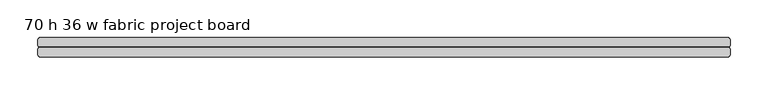
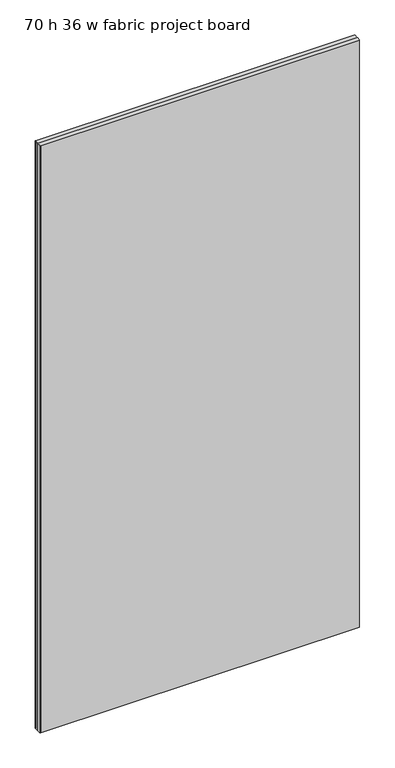
"""IFC4 building model written with IfcOpenShell, lengths in millimetres: furniture geometry, 70 h 36 w fabric project board."""

import ifcopenshell
import ifcopenshell.guid

model = None  # the IFC model being written
_history = None  # IfcOwnerHistory: only IFC2X3 demands one
_inside = {}  # id of a spatial element -> (the spatial element, [elements in it])
_under = {}  # id of a project, library or spatial element -> (it, [spatial elements below it])
_declared = {}  # id of a project -> (the project, [libraries it declares])
_typed = {}  # id of a type object -> (the type object, [elements of that type])
_made_of = {}  # id of a material, layer set ... -> (it, [elements and type objects made of it])


def new_model(schema):
    """Start an empty IFC model of exactly this schema.

    Asked for "IFC4X3", IfcOpenShell would pick the latest addendum, in which some entities
    have other attributes; the version numbers below select the first issue.
    IFC2X3 requires an IfcOwnerHistory on every rooted entity: one is made here for all.
    """
    global model, _history
    if schema == "IFC4X3":
        model = ifcopenshell.file(schema_version=(4, 3, 0, 0))
    else:
        model = ifcopenshell.file(schema=schema)
    _inside.clear()
    _under.clear()
    _declared.clear()
    _typed.clear()
    _made_of.clear()
    _history = None
    if model.schema == "IFC2X3":
        org = make("IfcOrganization", Name="unknown")
        user = make(
            "IfcPersonAndOrganization",
            ThePerson=make("IfcPerson", FamilyName="unknown"),
            TheOrganization=org,
        )
        app = make(
            "IfcApplication",
            ApplicationDeveloper=org,
            Version="unknown",
            ApplicationFullName="unknown",
            ApplicationIdentifier="unknown",
        )
        _history = make(
            "IfcOwnerHistory",
            OwningUser=user,
            OwningApplication=app,
            ChangeAction="ADDED",
            CreationDate=0,
        )
    return model


def make(cls, **values):
    """One entity of the class cls with the attributes given. An attribute that is None is left unset."""
    return model.create_entity(
        cls, **{name: value for name, value in values.items() if value is not None}
    )


def rooted(cls, **values):
    """An entity with a GlobalId (a new one), such as an element, a storey or a relation."""
    return make(cls, GlobalId=ifcopenshell.guid.new(), OwnerHistory=_history, **values)


def si_unit(unit_type, name, prefix=None):
    """IfcSIUnit, for example si_unit("LENGTHUNIT", "METRE", prefix="MILLI")."""
    return make("IfcSIUnit", UnitType=unit_type, Prefix=prefix, Name=name)


def assignment(units):
    """IfcUnitAssignment: the units of a project."""
    return None if units is None else make("IfcUnitAssignment", Units=units)


def point(xyz):
    """IfcCartesianPoint."""
    return None if xyz is None else make("IfcCartesianPoint", Coordinates=xyz)


def direction(xyz):
    """IfcDirection."""
    return None if xyz is None else make("IfcDirection", DirectionRatios=xyz)


def frame(location, z_axis=None, x_axis=None):
    """IfcAxis2Placement3D, a coordinate frame: its origin and axes. An axis left out is left unset."""
    return make(
        "IfcAxis2Placement3D",
        Location=point(location),
        Axis=direction(z_axis),
        RefDirection=direction(x_axis),
    )


def origin():
    """The frame at (0, 0, 0) with its axes left unset."""
    return frame((0.0, 0.0, 0.0))


def place(relative_to, where):
    """IfcLocalPlacement: puts the frame where relative to a parent placement (None: the world)."""
    return make(
        "IfcLocalPlacement", PlacementRelTo=relative_to, RelativePlacement=where
    )


def context(
    kind, dimensions, precision=None, world=None, true_north=None, identifier=None
):
    """IfcGeometricRepresentationContext, for example the 3D "Model" context."""
    return make(
        "IfcGeometricRepresentationContext",
        ContextIdentifier=identifier,
        ContextType=kind,
        CoordinateSpaceDimension=dimensions,
        Precision=precision,
        WorldCoordinateSystem=world,
        TrueNorth=true_north,
    )


def project(units=None, contexts=None):
    """IfcProject with its units and contexts."""
    return rooted(
        "IfcProject",
        Name="project",
        RepresentationContexts=contexts,
        UnitsInContext=assignment(units),
    )


def spatial(cls, under=None, at=None, **own):
    """A site, building, storey or space (cls), placed at a placement, below another one or the project."""
    s = rooted(cls, ObjectPlacement=at, **own)
    if under is not None:
        _under.setdefault(under.id(), (under, []))[1].append(s)
    return s


def polyline(points):
    """IfcPolyline through the points."""
    return make("IfcPolyline", Points=[point(p) for p in points])


def outline(outer, holes=None, kind="AREA"):
    """IfcArbitraryClosedProfileDef: a profile drawn as a closed curve; with holes, ...WithVoids."""
    if holes is None:
        return make("IfcArbitraryClosedProfileDef", ProfileType=kind, OuterCurve=outer)
    return make(
        "IfcArbitraryProfileDefWithVoids",
        ProfileType=kind,
        OuterCurve=outer,
        InnerCurves=holes,
    )


def extrude(swept, where, along, depth):
    """IfcExtrudedAreaSolid: the profile swept, set in the frame where, extruded along a direction by depth."""
    return make(
        "IfcExtrudedAreaSolid",
        SweptArea=swept,
        Position=where,
        ExtrudedDirection=direction(along),
        Depth=depth,
    )


def shape(context_of_items, identifier, shape_type, items):
    """IfcShapeRepresentation: the items that make up one representation, for example the "Body"."""
    return make(
        "IfcShapeRepresentation",
        ContextOfItems=context_of_items,
        RepresentationIdentifier=identifier,
        RepresentationType=shape_type,
        Items=items,
    )


def source(mapping_origin, context_of_items, identifier, shape_type, items):
    """IfcRepresentationMap: a shape defined once, which mapped items show again and again."""
    return make(
        "IfcRepresentationMap",
        MappingOrigin=mapping_origin,
        MappedRepresentation=shape(context_of_items, identifier, shape_type, items),
    )


def transform(
    local_origin,
    x_axis=None,
    y_axis=None,
    z_axis=None,
    scale=None,
    scale2=None,
    scale3=None,
    uniform=True,
):
    """IfcCartesianTransformationOperator3D, or its non-uniform kind. x_axis, y_axis, z_axis: its Axis1, 2, 3."""
    if uniform:
        return make(
            "IfcCartesianTransformationOperator3D",
            Axis1=direction(x_axis),
            Axis2=direction(y_axis),
            LocalOrigin=point(local_origin),
            Scale=scale,
            Axis3=direction(z_axis),
        )
    return make(
        "IfcCartesianTransformationOperator3DnonUniform",
        Axis1=direction(x_axis),
        Axis2=direction(y_axis),
        LocalOrigin=point(local_origin),
        Scale=scale,
        Axis3=direction(z_axis),
        Scale2=scale2,
        Scale3=scale3,
    )


def mapped(mapping_source, mapping_target):
    """IfcMappedItem: shows the shape of a source again, moved by a transform."""
    return make(
        "IfcMappedItem", MappingSource=mapping_source, MappingTarget=mapping_target
    )


def made_of(thing, what):
    """Note that an element or type object is made of a material, layer set ...; save() writes the relation."""
    if what is not None:
        _made_of.setdefault(what.id(), (what, []))[1].append(thing)
    return thing


def element(
    cls,
    number,
    at=None,
    inside=None,
    cuts=None,
    type_object=None,
    material=None,
    context=None,
    identifier="Body",
    shape_type=None,
    held_by="IfcProductDefinitionShape",
    body=None,
    shapes=None,
    **own,
):
    """One element of the class cls, such as IfcWall. Its Tag is "e" and its number.

    at: its placement. inside: the storey or other place that contains it. cuts: it is an
    opening in that element (IfcRelVoidsElement). A single representation is given by context,
    identifier, shape_type and body (its items); several are given by shapes. held_by: the class
    of the entity that holds the representations. save() writes the other relations.
    """
    e = rooted(cls, Tag="e%d" % number, ObjectPlacement=at, **own)
    if body is not None:
        shapes = [shape(context, identifier, shape_type, body)]
    if shapes is not None:
        e.Representation = make(held_by, Representations=shapes)
    if inside is not None:
        _inside.setdefault(inside.id(), (inside, []))[1].append(e)
    if cuts is not None:
        rooted(
            "IfcRelVoidsElement", RelatingBuildingElement=cuts, RelatedOpeningElement=e
        )
    if type_object is not None:
        _typed.setdefault(type_object.id(), (type_object, []))[1].append(e)
    return made_of(e, material)


def aggregate(whole, parts):
    """IfcRelAggregates: a whole, such as a stair, and the parts it consists of."""
    return rooted("IfcRelAggregates", RelatingObject=whole, RelatedObjects=parts)


def save(model, path):
    """Write the relations noted so far, then the file.

    IfcRelAggregates (storeys below a building ...), IfcRelContainedInSpatialStructure (elements
    in a storey), IfcRelDefinesByType, IfcRelAssociatesMaterial and IfcRelDeclares: one each for
    every whole, place, type object, material and project.
    """
    for whole, parts in _under.values():
        aggregate(whole, parts)
    for where, things in _inside.values():
        rooted(
            "IfcRelContainedInSpatialStructure",
            RelatedElements=things,
            RelatingStructure=where,
        )
    for kind, things in _typed.values():
        rooted("IfcRelDefinesByType", RelatedObjects=things, RelatingType=kind)
    for what, things in _made_of.values():
        rooted("IfcRelAssociatesMaterial", RelatedObjects=things, RelatingMaterial=what)
    for by, libraries in _declared.values():
        rooted("IfcRelDeclares", RelatingContext=by, RelatedDefinitions=libraries)
    model.write(path)


def furniture_70_h_36_w_fabric_project_board_bf294f33(model_context):
    return source(origin(), model_context, "Body", "SweptSolid", [
        extrude(outline(polyline([(917.31087, -4.6856657), (917.7799547, -5.6356656), (918.8125225, -6.0581047), (919.3954811, -7.083154), (919.3954811, -15.2517535), (918.8125225, -16.2768033), (917.7799547, -16.699243), (6.6110399, -16.699243), (5.5784607, -16.2768033), (4.9954811, -15.2517535), (4.9954811, -7.083154), (5.5784607, -6.0581047), (6.6110399, -5.6356656), (7.0800644, -4.6856657), (917.31087, -4.6856657)])), frame((0.0, 0.0, 304.7998002), z_axis=(0.0, 0.0, 1.0), x_axis=(1.0, 0.0, 0.0)), (0.0, 0.0, 1.0), 1775.4988021),
        extrude(outline(polyline([(4.9954811, -19.5195753), (5.5784607, -18.4945265), (6.6110399, -18.072088), (917.7799547, -18.072088), (918.8125225, -18.4945265), (919.3954811, -19.5195753), (919.3954811, -27.6881764), (918.8125225, -28.7132251), (917.7799547, -29.1356648), (917.31087, -30.0856636), (7.0800644, -30.0856636), (6.6110399, -29.1356648), (5.5784607, -28.7132251), (4.9954811, -27.6881764), (4.9954811, -19.5195753)])), frame((0.0, 0.0, 304.7998002), z_axis=(0.0, 0.0, 1.0), x_axis=(1.0, 0.0, 0.0)), (0.0, 0.0, 1.0), 1775.4988021),
    ])


if __name__ == "__main__":
    model = new_model("IFC4")
    model_context = context("Model", 3, world=origin())
    ifc_project = project(units=[si_unit("LENGTHUNIT", "METRE", prefix="MILLI")], contexts=[model_context])
    site = spatial("IfcSite", under=ifc_project)
    building = spatial("IfcBuilding", under=site)
    placement = place(None, origin())
    furniture_70_h_36_w_fabric_project_board_shape = furniture_70_h_36_w_fabric_project_board_bf294f33(model_context)
    element("IfcFurniture", 1, ObjectType="70 h 36 w fabric project board", at=placement, inside=building, context=model_context, shape_type="MappedRepresentation", body=[
        mapped(furniture_70_h_36_w_fabric_project_board_shape, transform((0.0, 0.0, 0.0), x_axis=(1.0, 0.0, 0.0), y_axis=(0.0, 1.0, 0.0), z_axis=(0.0, 0.0, 1.0))),
    ])
    save(model, "model.ifc")
